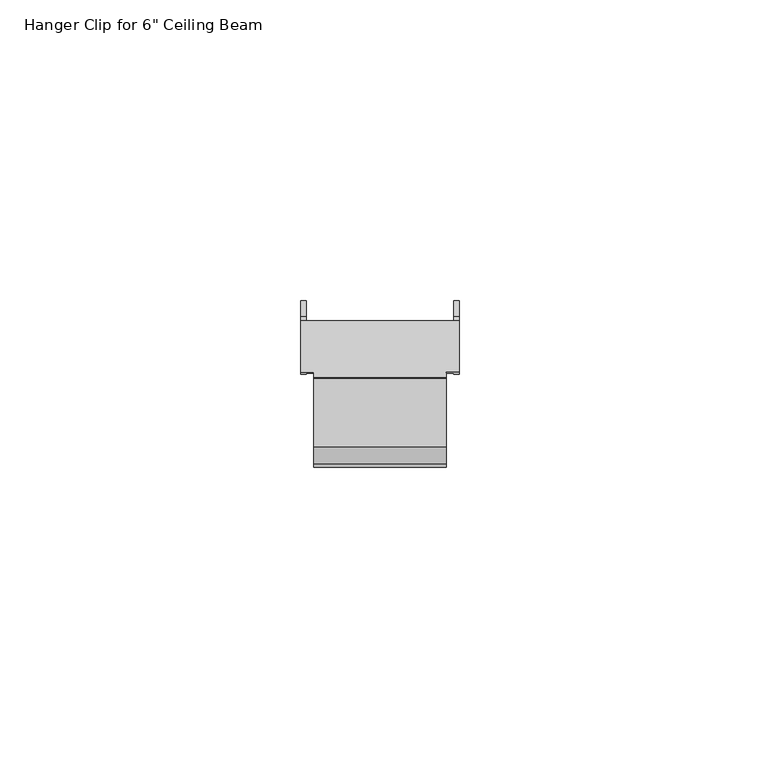
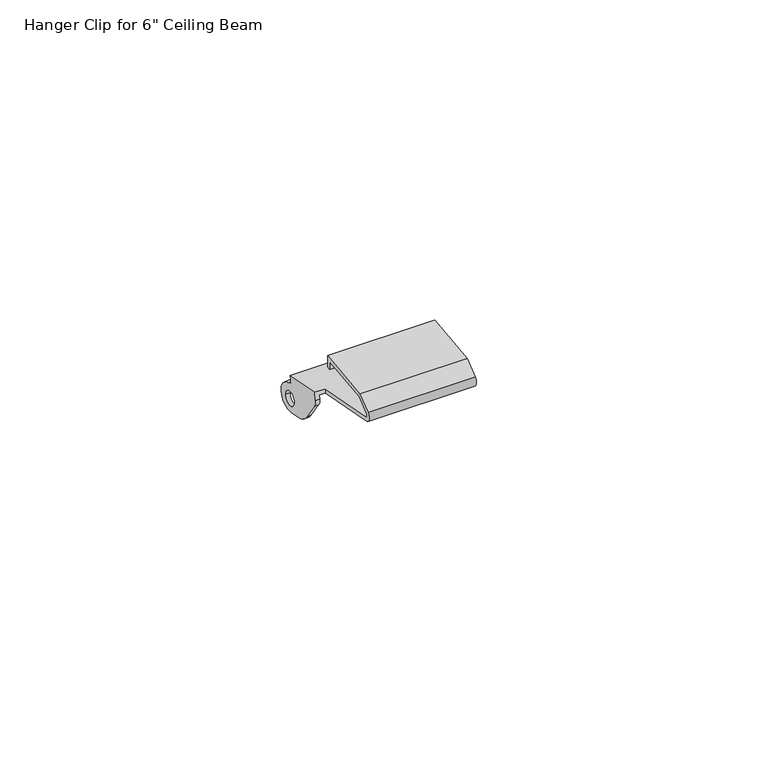
"""IFC4 building model written with IfcOpenShell, lengths in millimetres: proxy geometry."""

from ifc_helpers import new_model, si_unit, frame, origin, place, context, project, spatial, polyline, circle_curve, source, transform, mapped, element, save
from ifc_brep_helpers import plane_surface, cylinder_surface, revolved_surface, advanced_brep


def proxy_a90a5360(model_context):
    return source(origin(), model_context, "Body", "AdvancedBrep", [
        advanced_brep(
        [(24.1, 8.1863514, 223.881693), (25.345, 8.1863514, 223.881693), (25.345, 8.0387707, 223.085251), (26.245, 8.0387707, 223.085251), (26.245, 8.333932, 224.6781351), (24.1, 8.333932, 224.6781351), (26.245, 16.9477112, 223.0820027), (-0.045, 16.9477112, 223.0820027), (-0.045, 8.333932, 224.6781351), (2.1, 8.333932, 224.6781351), (2.1, -6.2456559, 227.3797312), (24.1, -6.2456559, 227.3797312), (25.345, 16.8001306, 222.2855606), (0.855, 16.8001306, 222.2855606), (-0.045, 16.7956427, 222.2613412), (26.245, 16.7956427, 222.2613412), (24.1, -6.3932365, 226.5832891), (2.1, -6.3932365, 226.5832891), (2.1, 8.1863514, 223.881693), (0.855, 8.1863514, 223.881693), (0.855, 15.0, 222.6191246), (25.345, 15.0, 222.6191246), (-0.045, 8.0387707, 223.085251), (0.855, 8.0387707, 223.085251), (0.855, 13.776769, 215.779098), (0.855, 16.6042184, 215.2551719), (0.855, 19.5307721, 216.0265164), (0.855, 17.6177938, 221.0922065), (0.855, 8.5011324, 221.4972767), (0.855, 11.2004023, 217.5701331), (0.855, 15.6143228, 218.0080305), (0.855, 18.6143228, 218.0080305), (-0.045, 13.776769, 215.779098), (-0.045, 11.2004023, 217.5701331), (-0.045, 8.5011324, 221.4972767), (-0.045, 17.6177938, 221.0922065), (-0.045, 19.5307721, 216.0265164), (-0.045, 16.6042184, 215.2551719), (-0.045, 15.6143228, 218.0080305), (-0.045, 18.6143228, 218.0080305), (2.1, -6.9581718, 228.7673908), (2.1, -4.1035478, 231.1207427), (2.1, 7.4042149, 232.4323279), (2.1, 7.4261105, 229.9341807), (2.1, 6.6160793, 229.9341807), (2.1, 6.6021304, 231.5256671), (2.1, -3.7734331, 230.3431232), (2.1, -6.4429248, 228.1423944), (24.1, -6.4429248, 228.1423944), (24.1, -3.7734331, 230.3431232), (24.1, 6.6021304, 231.5256671), (24.1, 6.6160793, 229.9341807), (24.1, 7.4261105, 229.9341807), (24.1, 7.4042149, 232.4323279), (24.1, -4.1035478, 231.1207427), (24.1, -6.9581718, 228.7673908), (25.345, 13.776769, 215.779098), (25.345, 11.2004023, 217.5701331), (25.345, 8.5011324, 221.4972767), (25.345, 17.6177938, 221.0922065), (25.345, 19.5307721, 216.0265164), (25.345, 16.6042184, 215.2551719), (25.345, 15.6143228, 218.0080305), (25.345, 18.6143228, 218.0080305), (26.245, 13.776769, 215.779098), (26.245, 16.6042184, 215.2551719), (26.245, 19.5307721, 216.0265164), (26.245, 17.6177938, 221.0922065), (26.245, 8.5011324, 221.4972767), (26.245, 11.2004023, 217.5701331), (26.245, 15.6143228, 218.0080305), (26.245, 18.6143228, 218.0080305)],
        [
            (0, 1),
            (1, 2),
            (2, 3),
            (3, 4),
            (4, 5),
            (5, 0),
            (4, 6),
            (6, 7),
            (7, 8),
            (8, 9),
            (9, 10),
            (10, 11),
            (11, 5),
            (12, 13),
            (13, 14),
            (14, 7),
            (6, 15),
            (15, 12),
            (0, 16),
            (16, 17),
            (17, 18),
            (18, 19),
            (19, 20),
            (20, 13),
            (12, 21),
            (21, 1),
            (18, 9),
            (8, 22),
            (22, 23),
            (23, 19),
            (24, 25),
            (25, 26, circle_curve(frame((0.855, 17.2502464, 218.7415633), z_axis=(1.0, 0.0, 0.0), x_axis=(0.0, 0.6431732914476849, -0.7657206521756819)), 3.5457407)),
            (26, 27, circle_curve(frame((0.855, 17.1143228, 218.0080305), z_axis=(1.0, 0.0, 0.0), x_axis=(0.0, 0.16111070983934786, 0.9869363399809846)), 3.125)),
            (27, 13, circle_curve(frame((0.855, 17.7789045, 222.0791429), z_axis=(-1.0, 0.0, 0.0), x_axis=(0.0, -0.983261804376691, 0.1821983096900019)), 1.0)),
            (23, 28, circle_curve(frame((0.855, 10.6751837, 222.9915819), z_axis=(1.0, 0.0, 0.0), x_axis=(0.0, -0.8241047498588686, -0.5664374292541515)), 2.6380764)),
            (28, 29),
            (29, 24, circle_curve(frame((0.855, 14.8595515, 220.0852005), z_axis=(1.0, 0.0, 0.0), x_axis=(0.0, -0.24386165076657013, -0.9698100305139163)), 4.4401506)),
            (30, 31, circle_curve(frame((0.855, 17.1143228, 218.0080305), z_axis=(-1.0, 0.0, 0.0), x_axis=(0.0, 1.0, 0.0)), 1.5)),
            (31, 30, circle_curve(frame((0.855, 17.1143228, 218.0080305), z_axis=(-1.0, 0.0, 0.0), x_axis=(0.0, 1.0, 0.0)), 1.5)),
            (32, 33, circle_curve(frame((-0.045, 14.8595515, 220.0852005), z_axis=(-1.0, 0.0, 0.0), x_axis=(0.0, -0.24386165076657013, -0.9698100305139163)), 4.4401506)),
            (33, 34),
            (34, 22, circle_curve(frame((-0.045, 10.6751837, 222.9915819), z_axis=(-1.0, 0.0, 0.0), x_axis=(0.0, -0.8241047498588686, -0.5664374292541515)), 2.6380764)),
            (14, 35, circle_curve(frame((-0.045, 17.7789045, 222.0791429), z_axis=(1.0, 0.0, 0.0), x_axis=(0.0, -0.983261804376691, 0.1821983096900019)), 1.0)),
            (35, 36, circle_curve(frame((-0.045, 17.1143228, 218.0080305), z_axis=(-1.0, 0.0, 0.0), x_axis=(0.0, 0.16111070983934786, 0.9869363399809846)), 3.125)),
            (36, 37, circle_curve(frame((-0.045, 17.2502464, 218.7415633), z_axis=(-1.0, 0.0, 0.0), x_axis=(0.0, 0.6431732914476849, -0.7657206521756819)), 3.5457407)),
            (37, 32),
            (38, 39, circle_curve(frame((-0.045, 17.1143228, 218.0080305), z_axis=(1.0, 0.0, 0.0), x_axis=(0.0, 1.0, 0.0)), 1.5)),
            (39, 38, circle_curve(frame((-0.045, 17.1143228, 218.0080305), z_axis=(1.0, 0.0, 0.0), x_axis=(0.0, 1.0, 0.0)), 1.5)),
            (29, 33),
            (32, 24),
            (28, 34),
            (27, 35),
            (26, 36),
            (25, 37),
            (31, 39),
            (38, 30),
            (17, 40, circle_curve(frame((2.1, -6.1664725, 227.8070568), z_axis=(-1.0, 0.0, 0.0), x_axis=(0.0, -0.1821983096898112, -0.9832618043767264)), 1.2446)),
            (40, 41),
            (41, 42),
            (42, 43),
            (43, 44),
            (44, 45),
            (45, 46),
            (46, 47),
            (47, 10, circle_curve(frame((2.1, -6.1664725, 227.8070568), z_axis=(1.0, 0.0, 0.0), x_axis=(0.0, -0.6361074253995674, 0.7716005076148756)), 0.4346)),
            (11, 48, circle_curve(frame((24.1, -6.1664725, 227.8070568), z_axis=(-1.0, 0.0, 0.0), x_axis=(0.0, -0.6361074253995674, 0.7716005076148756)), 0.4346)),
            (48, 49),
            (49, 50),
            (50, 51),
            (51, 52),
            (52, 53),
            (53, 54),
            (54, 55),
            (55, 16, circle_curve(frame((24.1, -6.1664725, 227.8070568), z_axis=(1.0, 0.0, 0.0), x_axis=(0.0, -0.1821983096898112, -0.9832618043767264)), 1.2446)),
            (55, 40),
            (54, 41),
            (53, 42),
            (52, 43),
            (51, 44),
            (50, 45),
            (49, 46),
            (48, 47),
            (56, 57, circle_curve(frame((25.345, 14.8595515, 220.0852005), z_axis=(-1.0, 0.0, 0.0), x_axis=(0.0, -0.24386165076657013, -0.9698100305139163)), 4.4401506)),
            (57, 58),
            (58, 2, circle_curve(frame((25.345, 10.6751837, 222.9915819), z_axis=(-1.0, 0.0, 0.0), x_axis=(0.0, -0.8241047498588686, -0.5664374292541515)), 2.6380764)),
            (12, 59, circle_curve(frame((25.345, 17.7789045, 222.0791429), z_axis=(1.0, 0.0, 0.0), x_axis=(0.0, -0.983261804376691, 0.1821983096900019)), 1.0)),
            (59, 60, circle_curve(frame((25.345, 17.1143228, 218.0080305), z_axis=(-1.0, 0.0, 0.0), x_axis=(0.0, 0.16111070983934786, 0.9869363399809846)), 3.125)),
            (60, 61, circle_curve(frame((25.345, 17.2502464, 218.7415633), z_axis=(-1.0, 0.0, 0.0), x_axis=(0.0, 0.6431732914476849, -0.7657206521756819)), 3.5457407)),
            (61, 56),
            (62, 63, circle_curve(frame((25.345, 17.1143228, 218.0080305), z_axis=(1.0, 0.0, 0.0), x_axis=(0.0, 1.0, 0.0)), 1.5)),
            (63, 62, circle_curve(frame((25.345, 17.1143228, 218.0080305), z_axis=(1.0, 0.0, 0.0), x_axis=(0.0, 1.0, 0.0)), 1.5)),
            (64, 65),
            (65, 66, circle_curve(frame((26.245, 17.2502464, 218.7415633), z_axis=(1.0, 0.0, 0.0), x_axis=(0.0, 0.6431732914476849, -0.7657206521756819)), 3.5457407)),
            (66, 67, circle_curve(frame((26.245, 17.1143228, 218.0080305), z_axis=(1.0, 0.0, 0.0), x_axis=(0.0, 0.16111070983934786, 0.9869363399809846)), 3.125)),
            (67, 15, circle_curve(frame((26.245, 17.7789045, 222.0791429), z_axis=(-1.0, 0.0, 0.0), x_axis=(0.0, -0.983261804376691, 0.1821983096900019)), 1.0)),
            (3, 68, circle_curve(frame((26.245, 10.6751837, 222.9915819), z_axis=(1.0, 0.0, 0.0), x_axis=(0.0, -0.8241047498588686, -0.5664374292541515)), 2.6380764)),
            (68, 69),
            (69, 64, circle_curve(frame((26.245, 14.8595515, 220.0852005), z_axis=(1.0, 0.0, 0.0), x_axis=(0.0, -0.24386165076657013, -0.9698100305139163)), 4.4401506)),
            (70, 71, circle_curve(frame((26.245, 17.1143228, 218.0080305), z_axis=(-1.0, 0.0, 0.0), x_axis=(0.0, 1.0, 0.0)), 1.5)),
            (71, 70, circle_curve(frame((26.245, 17.1143228, 218.0080305), z_axis=(-1.0, 0.0, 0.0), x_axis=(0.0, 1.0, 0.0)), 1.5)),
            (56, 64),
            (69, 57),
            (68, 58),
            (67, 59),
            (66, 60),
            (65, 61),
            (62, 70),
            (71, 63),
        ],
        [
            plane_surface(frame((24.1, 8.1863514, 223.881693), z_axis=(0.0, -0.9832618043767257, 0.1821983096898148), x_axis=(1.0, 0.0, 0.0))),
            plane_surface(frame((24.1, 8.333932, 224.6781351), z_axis=(0.0, 0.18219830968981215, 0.9832618043767262), x_axis=(1.0, 0.0, 0.0))),
            plane_surface(frame((24.1, 16.9477112, 223.0820027), z_axis=(0.0, 0.9832618043766902, -0.18219830969000625), x_axis=(1.0, 0.0, 0.0))),
            plane_surface(frame((24.1, 16.8001306, 222.2855606), z_axis=(0.0, -0.18219830968981301, -0.9832618043767261), x_axis=(1.0, 0.0, 0.0))),
            plane_surface(frame((2.1, 8.333932, 224.6781351), z_axis=(0.0, -0.9832618043767257, 0.1821983096898148), x_axis=(-1.0, 0.0, 0.0))),
            plane_surface(frame((0.855, 16.6042184, 215.2551719), z_axis=(1.0, 0.0, 0.0), x_axis=(0.0, 0.983261804376724, -0.18219830968982417))),
            plane_surface(frame((-0.045, 16.6042184, 215.2551719), z_axis=(-1.0, 0.0, 0.0), x_axis=(0.0, -0.983261804376724, 0.18219830968982417))),
            cylinder_surface(frame((-0.045, 14.8595515, 220.0852005), z_axis=(1.0, 0.0, 0.0), x_axis=(0.0, -0.24386165076657013, -0.9698100305139163)), 4.4401506),
            plane_surface(frame((0.855, 8.5011324, 221.4972767), z_axis=(0.0, -0.8241047498588696, -0.5664374292541499), x_axis=(-1.0, 0.0, 0.0))),
            cylinder_surface(frame((-0.045, 10.6751837, 222.9915819), z_axis=(1.0000000000000002, 0.0, 0.0), x_axis=(0.0, -0.8241047498588686, -0.5664374292541515)), 2.6380764),
            revolved_surface(polyline([(-0.045, 16.795642695623307, 222.26134120969), (0.855, 16.795642695623307, 222.26134120969)]), (-0.045, 17.7789045, 222.0791429), (-1.0, 0.0, 0.0)),
            cylinder_surface(frame((-0.045, 17.1143228, 218.0080305), z_axis=(1.0000000000000002, 0.0, 0.0), x_axis=(0.0, 0.16111070983934786, 0.9869363399809846)), 3.125),
            cylinder_surface(frame((-0.045, 17.2502464, 218.7415633), z_axis=(1.0, 0.0, 0.0), x_axis=(0.0, 0.6431732914476849, -0.7657206521756819)), 3.5457407),
            plane_surface(frame((0.855, 13.776769, 215.779098), z_axis=(0.0, -0.18219830968982417, -0.983261804376724), x_axis=(-1.0, 0.0, 0.0))),
            revolved_surface(polyline([(-0.04499999999999993, 18.6143228, 218.0080305), (0.8550000000000004, 18.6143228, 218.0080305)]), (14.355, 17.1143228, 218.0080305), (-1.0, 0.0, 0.0)),
            plane_surface(frame((2.1, 16.9477112, 223.0820027), z_axis=(-1.0, 0.0, 0.0), x_axis=(0.0, -0.1821983096900063, -0.9832618043766902))),
            plane_surface(frame((24.1, 16.9477112, 223.0820027), z_axis=(1.0, 0.0, 0.0), x_axis=(0.0, 0.1821983096900063, 0.9832618043766902))),
            cylinder_surface(frame((24.1, -6.1664725, 227.8070568), z_axis=(-1.0, 0.0, 0.0), x_axis=(0.0, -0.1821983096898112, -0.9832618043767264)), 1.2446),
            plane_surface(frame((2.1, -6.9581718, 228.7673908), z_axis=(0.0, -0.6361074253995667, 0.7716005076148763), x_axis=(1.0, 0.0, 0.0))),
            plane_surface(frame((2.1, -4.1035478, 231.1207427), z_axis=(0.0, -0.11324081984960013, 0.9935675702838688), x_axis=(1.0, 0.0, 0.0))),
            plane_surface(frame((2.1, 7.4042149, 232.4323279), z_axis=(0.0, 0.9999615920532106, 0.008764383515608648), x_axis=(1.0, 0.0, 0.0))),
            plane_surface(frame((2.1, 7.4261105, 229.9341807), z_axis=(0.0, 0.0, -1.0), x_axis=(1.0, 0.0, 0.0))),
            plane_surface(frame((2.1, 6.6160793, 229.9341807), z_axis=(0.0, -0.9999615920532104, -0.008764383515608072), x_axis=(1.0, 0.0, 0.0))),
            plane_surface(frame((2.1, 6.6021304, 231.5256671), z_axis=(0.0, 0.11324081984960119, -0.9935675702838686), x_axis=(1.0, 0.0, 0.0))),
            plane_surface(frame((2.1, -3.7734331, 230.3431232), z_axis=(0.0, 0.6361074253995657, -0.7716005076148772), x_axis=(1.0, 0.0, 0.0))),
            revolved_surface(polyline([(24.1, -6.442924787078653, 228.14239438060943), (2.1000000000000014, -6.442924787078653, 228.14239438060943)]), (24.1, -6.1664725, 227.8070568), (1.0, 0.0, 0.0)),
            plane_surface(frame((25.345, 13.776769, 215.779098), z_axis=(-1.0, 0.0, 0.0), x_axis=(0.0, -0.9698100305139163, 0.24386165076657013))),
            plane_surface(frame((26.245, 13.776769, 215.779098), z_axis=(1.0, 0.0, 0.0), x_axis=(0.0, 0.9698100305139163, -0.24386165076657013))),
            cylinder_surface(frame((26.245, 14.8595515, 220.0852005), z_axis=(-1.0, 0.0, 0.0), x_axis=(0.0, -0.24386165076657013, -0.9698100305139163)), 4.4401506),
            plane_surface(frame((25.345, 11.2004023, 217.5701331), z_axis=(0.0, -0.8241047498588695, -0.56643742925415), x_axis=(1.0, 0.0, 0.0))),
            cylinder_surface(frame((26.245, 10.6751837, 222.9915819), z_axis=(-1.0000000000000002, 0.0, 0.0), x_axis=(0.0, -0.8241047498588686, -0.5664374292541515)), 2.6380764),
            revolved_surface(polyline([(26.245, 16.795642695623307, 222.26134120969), (25.345, 16.795642695623307, 222.26134120969)]), (26.245, 17.7789045, 222.0791429), (1.0, 0.0, 0.0)),
            cylinder_surface(frame((26.245, 17.1143228, 218.0080305), z_axis=(-1.0000000000000002, 0.0, 0.0), x_axis=(0.0, 0.16111070983934786, 0.9869363399809846)), 3.125),
            cylinder_surface(frame((26.245, 17.2502464, 218.7415633), z_axis=(-1.0, 0.0, 0.0), x_axis=(0.0, 0.6431732914476849, -0.7657206521756819)), 3.5457407),
            plane_surface(frame((25.345, 16.6042184, 215.2551719), z_axis=(0.0, -0.1821983096898225, -0.9832618043767243), x_axis=(1.0, 0.0, 0.0))),
            revolved_surface(polyline([(26.245, 18.6143228, 218.0080305), (25.345, 18.6143228, 218.0080305)]), (11.845, 17.1143228, 218.0080305), (1.0, 0.0, 0.0)),
        ],
        [
            (0, [[1, 2, 3, 4, 5, 6]]),
            (1, [[-5, 7, 8, 9, 10, 11, 12, 13]]),
            (2, [[14, 15, 16, -8, 17, 18]]),
            (3, [[-1, 19, 20, 21, 22, 23, 24, -14, 25, 26]]),
            (4, [[-22, 27, -10, 28, 29, 30]]),
            (5, [[31, 32, 33, 34, -24, -23, -30, 35, 36, 37], [38, 39]]),
            (6, [[40, 41, 42, -28, -9, -16, 43, 44, 45, 46], [47, 48]]),
            (7, [[-37, 49, -40, 50]]),
            (8, [[-36, 51, -41, -49]]),
            (9, [[-35, -29, -42, -51]]),
            (10, [[-34, 52, -43, -15]]),
            (11, [[-33, 53, -44, -52]]),
            (12, [[-32, 54, -45, -53]]),
            (13, [[-31, -50, -46, -54]]),
            (14, [[-39, 55, -47, 56]]),
            (14, [[-38, -56, -48, -55]]),
            (15, [[57, 58, 59, 60, 61, 62, 63, 64, 65, -11, -27, -21]]),
            (16, [[66, 67, 68, 69, 70, 71, 72, 73, 74, -19, -6, -13]]),
            (17, [[-57, -20, -74, 75]]),
            (18, [[-58, -75, -73, 76]]),
            (19, [[-59, -76, -72, 77]]),
            (20, [[-60, -77, -71, 78]]),
            (21, [[-61, -78, -70, 79]]),
            (22, [[-62, -79, -69, 80]]),
            (23, [[-63, -80, -68, 81]]),
            (24, [[-64, -81, -67, 82]]),
            (25, [[-65, -82, -66, -12]]),
            (26, [[83, 84, 85, -2, -26, -25, 86, 87, 88, 89], [90, 91]]),
            (27, [[92, 93, 94, 95, -17, -7, -4, 96, 97, 98], [99, 100]]),
            (28, [[-83, 101, -98, 102]]),
            (29, [[-84, -102, -97, 103]]),
            (30, [[-85, -103, -96, -3]]),
            (31, [[-86, -18, -95, 104]]),
            (32, [[-87, -104, -94, 105]]),
            (33, [[-88, -105, -93, 106]]),
            (34, [[-89, -106, -92, -101]]),
            (35, [[-90, 107, -100, 108]]),
            (35, [[-91, -108, -99, -107]]),
        ],
    ),
    ])


if __name__ == "__main__":
    model = new_model("IFC4")
    model_context = context("Model", 3, world=origin())
    ifc_project = project(units=[si_unit("LENGTHUNIT", "METRE", prefix="MILLI")], contexts=[model_context])
    site = spatial("IfcSite", under=ifc_project)
    building = spatial("IfcBuilding", under=site)
    placement = place(None, origin())
    proxy_shape = proxy_a90a5360(model_context)
    element("IfcBuildingElementProxy", 1, Name="Hanger Clip for 6\" Ceiling Beam", ObjectType="Hanger Clip for 6\" Ceiling Beam", at=placement, inside=building, context=model_context, shape_type="MappedRepresentation", body=[
        mapped(proxy_shape, transform((0.0, 0.0, 0.0), x_axis=(1.0, 0.0, 0.0), y_axis=(0.0, 1.0, 0.0), z_axis=(0.0, 0.0, 1.0))),
    ])
    save(model, "model.ifc")
